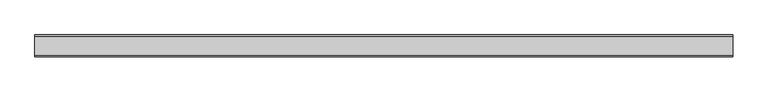
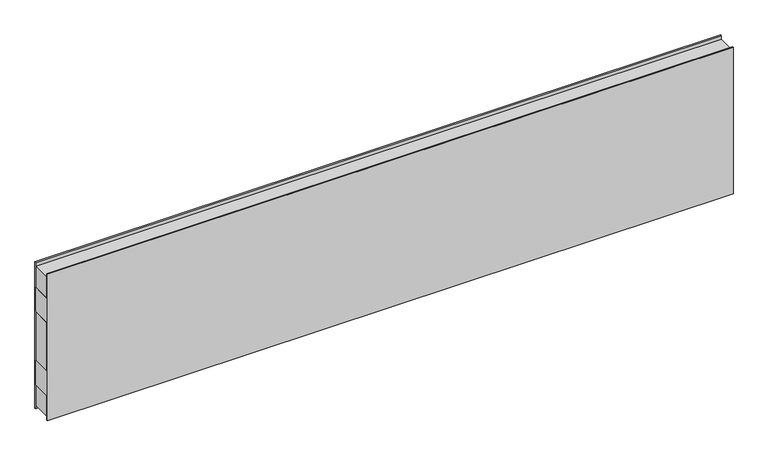
"""IFC4 building model written with IfcOpenShell, lengths in millimetres: plate geometry."""

from ifc_helpers import new_model, si_unit, frame, origin, origin_with_axes, place, context, project, spatial, polyline, outline, extrude, source, transform, mapped, element, save


def plate_7224e8c3(model_context):
    return source(origin(), model_context, "Body", "SweptSolid", [
        extrude(outline(polyline([(-1329.5744, -37.5), (-1329.5744, 37.5), (1329.5744, 37.5), (1329.5744, -37.5), (-1329.5744, -37.5)])), frame((0.0, 0.0, 400.0), z_axis=(0.0, 0.0, 1.0), x_axis=(1.0, 0.0, 0.0)), (0.0, 0.0, 1.0), 100.0),
        extrude(outline(polyline([(-1329.5744, -37.5), (-1329.5744, 37.5), (1329.5744, 37.5), (1329.5744, -37.5), (-1329.5744, -37.5)])), frame((0.0, 0.0, 100.0), z_axis=(0.0, 0.0, 1.0), x_axis=(1.0, 0.0, 0.0)), (0.0, 0.0, 1.0), 100.0),
        extrude(outline(polyline([(-1329.5744, -42.0), (-1329.5744, -37.5), (1329.5744, -37.5), (1329.5744, -42.0), (-1329.5744, -42.0)])), origin_with_axes(), (0.0, 0.0, 1.0), 600.0),
        extrude(outline(polyline([(-1329.5744, 37.5), (-1329.5744, 42.0), (1329.5744, 42.0), (1329.5744, 37.5), (-1329.5744, 37.5)])), origin_with_axes(), (0.0, 0.0, 1.0), 600.0),
        extrude(outline(polyline([(1329.5744, 37.5), (1329.5744, -37.5), (-1329.5744, -37.5), (-1329.5744, 37.5), (1329.5744, 37.5)])), frame((0.0, 0.0, 500.0), z_axis=(0.0, 0.0, 1.0), x_axis=(1.0, 0.0, 0.0)), (0.0, 0.0, 1.0), 85.0),
        extrude(outline(polyline([(1329.5744, 37.5), (1329.5744, -37.5), (-1329.5744, -37.5), (-1329.5744, 37.5), (1329.5744, 37.5)])), frame((0.0, 0.0, 15.0), z_axis=(0.0, 0.0, 1.0), x_axis=(1.0, 0.0, 0.0)), (0.0, 0.0, 1.0), 85.0),
        extrude(outline(polyline([(1329.5744, 37.5), (1329.5744, -37.5), (-1329.5744, -37.5), (-1329.5744, 37.5), (1329.5744, 37.5)])), frame((0.0, 0.0, 200.0), z_axis=(0.0, 0.0, 1.0), x_axis=(1.0, 0.0, 0.0)), (0.0, 0.0, 1.0), 200.0),
    ])


if __name__ == "__main__":
    model = new_model("IFC4")
    model_context = context("Model", 3, world=origin())
    ifc_project = project(units=[si_unit("LENGTHUNIT", "METRE", prefix="MILLI")], contexts=[model_context])
    site = spatial("IfcSite", under=ifc_project)
    building = spatial("IfcBuilding", under=site)
    placement = place(None, origin())
    plate_shape = plate_7224e8c3(model_context)
    element("IfcPlate", 1, at=placement, inside=building, context=model_context, shape_type="MappedRepresentation", body=[
        mapped(plate_shape, transform((0.0, 0.0, 0.0), x_axis=(1.0, 0.0, 0.0), y_axis=(0.0, 1.0, 0.0), z_axis=(0.0, 0.0, 1.0))),
    ])
    save(model, "model.ifc")
